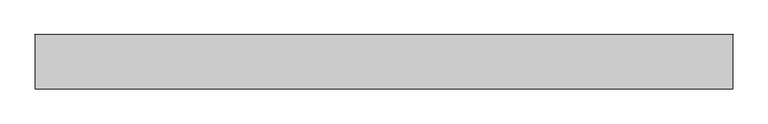
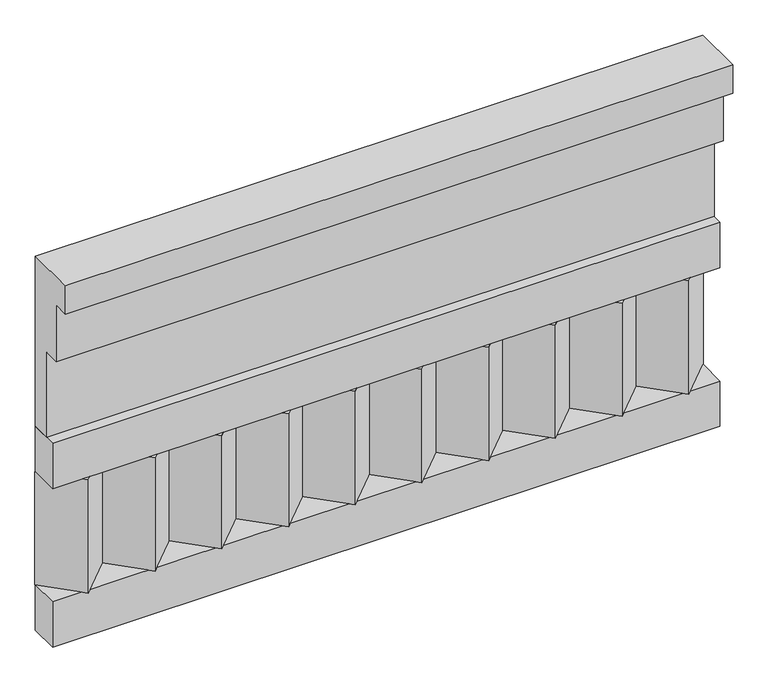
"""IFC4 building model written with IfcOpenShell, lengths in millimetres: railing geometry."""

from ifc_helpers import new_model, si_unit, frame, origin, place, context, project, spatial, polyline, outline, extrude, source, transform, mapped, element, save


def railing_2b199e51(model_context):
    return source(origin(), model_context, "Body", "SweptSolid", [
        extrude(outline(polyline([(-16816.8920513, 18500.0), (-16816.8920513, 18050.0), (-16866.8920513, 18050.0), (-16866.8920513, 18275.0), (-16906.8920513, 18275.0), (-16906.8920513, 18425.0), (-16946.8920513, 18425.0), (-16946.8920513, 18500.0), (-16816.8920513, 18500.0)])), frame((-29609.9887159, 0.0, 0.0), z_axis=(1.0, 0.0, 0.0), x_axis=(0.0, 1.0, 0.0)), (0.0, 0.0, 1.0), 1670.0),
        extrude(outline(polyline([(-29609.9887159, -16891.8920513), (-29609.9887159, -16816.8920513), (-27939.9887159, -16816.8920513), (-27939.9887159, -16891.8920513), (-29609.9887159, -16891.8920513)])), frame((0.0, 0.0, 17930.0), z_axis=(0.0, 0.0, 1.0), x_axis=(1.0, 0.0, 0.0)), (0.0, 0.0, 1.0), 120.0),
        extrude(outline(polyline([(-29609.9887159, -16891.8920513), (-29609.9887159, -16816.8920513), (-27939.9887159, -16816.8920513), (-27939.9887159, -16891.8920513), (-29609.9887159, -16891.8920513)])), frame((0.0, 0.0, 17510.0), z_axis=(0.0, 0.0, 1.0), x_axis=(1.0, 0.0, 0.0)), (0.0, 0.0, 1.0), 120.0),
        extrude(outline(polyline([(-28023.4887159, -16901.7448651), (-28108.3415296, -16816.8920513), (-27938.6359022, -16816.8920513), (-28023.4887159, -16901.7448651)])), frame((0.0, 0.0, 17630.0), z_axis=(0.0, 0.0, 1.0), x_axis=(1.0, 0.0, 0.0)), (0.0, 0.0, 1.0), 300.0),
        extrude(outline(polyline([(-28190.4887159, -16901.7448651), (-28275.3415296, -16816.8920513), (-28105.6359022, -16816.8920513), (-28190.4887159, -16901.7448651)])), frame((0.0, 0.0, 17630.0), z_axis=(0.0, 0.0, 1.0), x_axis=(1.0, 0.0, 0.0)), (0.0, 0.0, 1.0), 300.0),
        extrude(outline(polyline([(-28357.4887159, -16901.7448651), (-28442.3415296, -16816.8920513), (-28272.6359022, -16816.8920513), (-28357.4887159, -16901.7448651)])), frame((0.0, 0.0, 17630.0), z_axis=(0.0, 0.0, 1.0), x_axis=(1.0, 0.0, 0.0)), (0.0, 0.0, 1.0), 300.0),
        extrude(outline(polyline([(-28524.4887159, -16901.7448651), (-28609.3415296, -16816.8920513), (-28439.6359022, -16816.8920513), (-28524.4887159, -16901.7448651)])), frame((0.0, 0.0, 17630.0), z_axis=(0.0, 0.0, 1.0), x_axis=(1.0, 0.0, 0.0)), (0.0, 0.0, 1.0), 300.0),
        extrude(outline(polyline([(-28691.4887159, -16901.7448651), (-28776.3415296, -16816.8920513), (-28606.6359022, -16816.8920513), (-28691.4887159, -16901.7448651)])), frame((0.0, 0.0, 17630.0), z_axis=(0.0, 0.0, 1.0), x_axis=(1.0, 0.0, 0.0)), (0.0, 0.0, 1.0), 300.0),
        extrude(outline(polyline([(-28858.4887159, -16901.7448651), (-28943.3415296, -16816.8920513), (-28773.6359022, -16816.8920513), (-28858.4887159, -16901.7448651)])), frame((0.0, 0.0, 17630.0), z_axis=(0.0, 0.0, 1.0), x_axis=(1.0, 0.0, 0.0)), (0.0, 0.0, 1.0), 300.0),
        extrude(outline(polyline([(-29025.4887159, -16901.7448651), (-29110.3415296, -16816.8920513), (-28940.6359022, -16816.8920513), (-29025.4887159, -16901.7448651)])), frame((0.0, 0.0, 17630.0), z_axis=(0.0, 0.0, 1.0), x_axis=(1.0, 0.0, 0.0)), (0.0, 0.0, 1.0), 300.0),
        extrude(outline(polyline([(-29192.4887159, -16901.7448651), (-29277.3415296, -16816.8920513), (-29107.6359022, -16816.8920513), (-29192.4887159, -16901.7448651)])), frame((0.0, 0.0, 17630.0), z_axis=(0.0, 0.0, 1.0), x_axis=(1.0, 0.0, 0.0)), (0.0, 0.0, 1.0), 300.0),
        extrude(outline(polyline([(-29359.4887159, -16901.7448651), (-29444.3415296, -16816.8920513), (-29274.6359022, -16816.8920513), (-29359.4887159, -16901.7448651)])), frame((0.0, 0.0, 17630.0), z_axis=(0.0, 0.0, 1.0), x_axis=(1.0, 0.0, 0.0)), (0.0, 0.0, 1.0), 300.0),
        extrude(outline(polyline([(-29526.4887159, -16901.7448651), (-29611.3415296, -16816.8920513), (-29441.6359022, -16816.8920513), (-29526.4887159, -16901.7448651)])), frame((0.0, 0.0, 17630.0), z_axis=(0.0, 0.0, 1.0), x_axis=(1.0, 0.0, 0.0)), (0.0, 0.0, 1.0), 300.0),
    ])


if __name__ == "__main__":
    model = new_model("IFC4")
    model_context = context("Model", 3, world=origin())
    ifc_project = project(units=[si_unit("LENGTHUNIT", "METRE", prefix="MILLI")], contexts=[model_context])
    site = spatial("IfcSite", under=ifc_project)
    building = spatial("IfcBuilding", under=site)
    placement = place(None, origin())
    railing_shape = railing_2b199e51(model_context)
    element("IfcRailing", 1, at=placement, inside=building, context=model_context, shape_type="MappedRepresentation", body=[
        mapped(railing_shape, transform((0.0, 0.0, 0.0), x_axis=(1.0, 0.0, 0.0), y_axis=(0.0, 1.0, 0.0), z_axis=(0.0, 0.0, 1.0))),
    ])
    save(model, "model.ifc")
